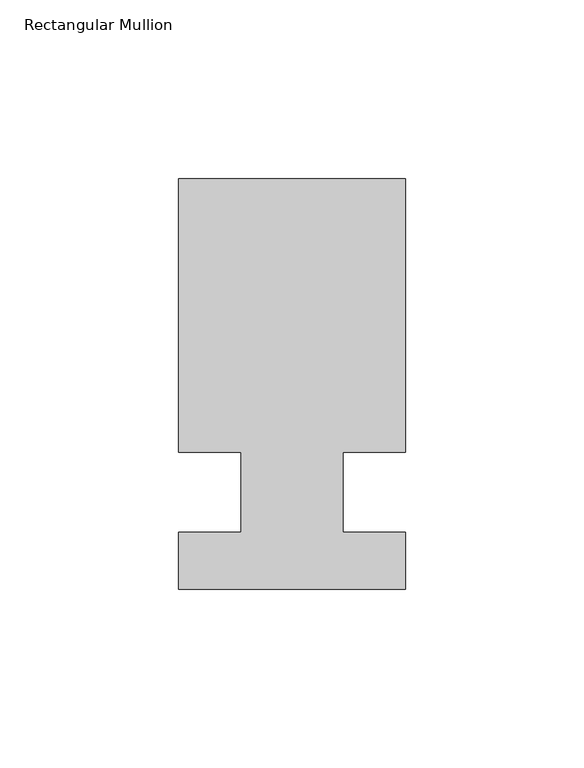
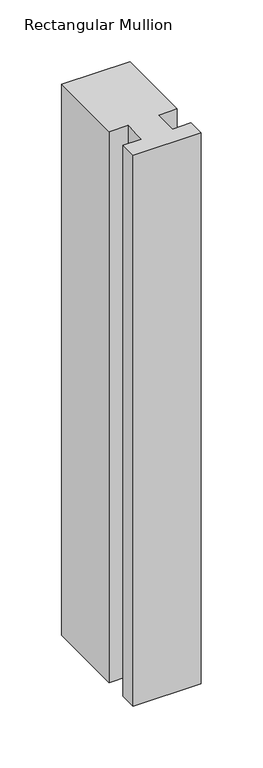
"""IFC4 building model written with IfcOpenShell, lengths in millimetres: member geometry, Rectangular Mullion."""

from ifc_helpers import new_model, si_unit, frame, origin, place, context, project, spatial, polyline, outline, extrude, source, transform, mapped, element, save


def rectangular_mullion_f747ff47(model_context):
    return source(origin(), model_context, "Body", "SweptSolid", [
        extrude(outline(polyline([(-31.75, -53.9059438), (-31.75, -38.0563438), (-14.2875, -38.0563438), (-14.2875, -15.5773438), (-31.75, -15.5773437), (-31.75, 60.9528562), (31.75, 60.9528562), (31.75, -15.5773438), (14.2875, -15.5773437), (14.2875, -38.0563438), (31.75, -38.0563438), (31.75, -53.9059438), (-31.75, -53.9059438)])), frame((0.0, 0.0, -543.1342542), z_axis=(0.0, 0.0, 1.0), x_axis=(1.0, 0.0, 0.0)), (0.0, 0.0, 1.0), 543.1342542),
    ])


if __name__ == "__main__":
    model = new_model("IFC4")
    model_context = context("Model", 3, world=origin())
    ifc_project = project(units=[si_unit("LENGTHUNIT", "METRE", prefix="MILLI")], contexts=[model_context])
    site = spatial("IfcSite", under=ifc_project)
    building = spatial("IfcBuilding", under=site)
    placement = place(None, origin())
    rectangular_mullion_shape = rectangular_mullion_f747ff47(model_context)
    element("IfcMember", 1, ObjectType="Rectangular Mullion", at=placement, inside=building, context=model_context, shape_type="MappedRepresentation", body=[
        mapped(rectangular_mullion_shape, transform((0.0, 0.0, 0.0), x_axis=(1.0, 0.0, 0.0), y_axis=(0.0, 1.0, 0.0), z_axis=(0.0, 0.0, 1.0))),
    ])
    save(model, "model.ifc")
